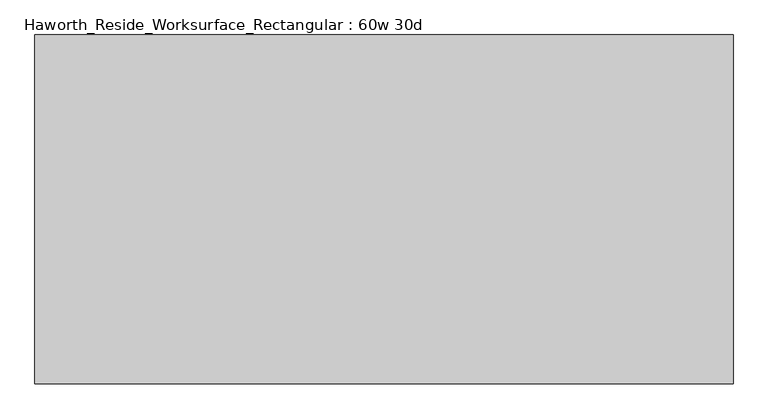
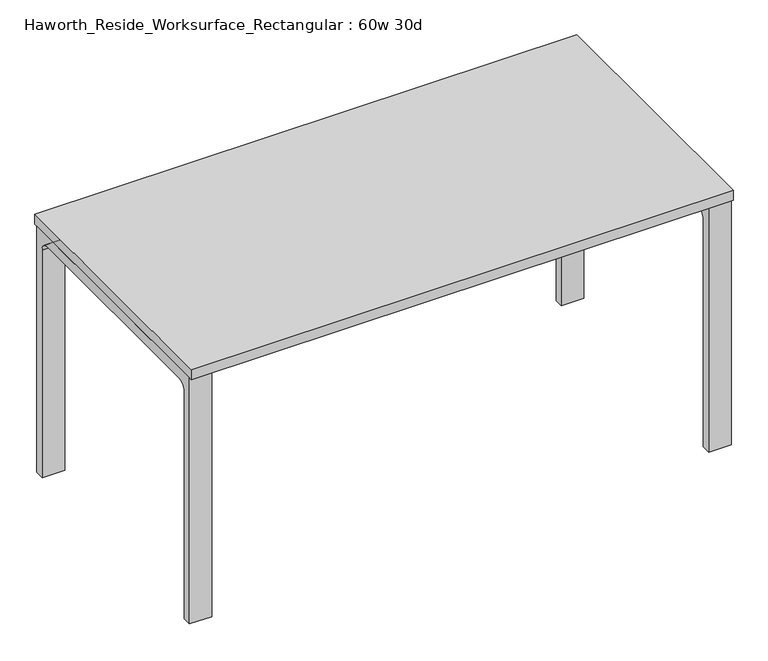
"""IFC4 building model written with IfcOpenShell, lengths in millimetres: furniture geometry, Haworth_Reside_Worksurface_Rectangular : 60w 30d."""

from ifc_helpers import new_model, si_unit, point, frame, frame_2d, origin, place, context, project, spatial, polyline, circle_curve, trimmed, segment, composite_curve, outline, extrude, source, transform, mapped, element, save


def haworth_reside_worksurface_rectangular_60w_30d_579a5c0c(model_context):
    return source(origin(), model_context, "Body", "SweptSolid", [
        extrude(outline(composite_curve([segment(trimmed(circle_curve(frame_2d((320.675, 676.275)), 25.4), [point((346.075, 676.275))], [point((320.675, 701.675))], True, "CARTESIAN"), True, "CONTINUOUS"), segment(polyline([(320.675, 701.675), (-320.675, 701.675)]), True, "CONTINUOUS"), segment(trimmed(circle_curve(frame_2d((-320.675, 676.275)), 25.4), [point((-320.675, 701.675))], [point((-346.075, 676.275))], True, "CARTESIAN"), True, "CONTINUOUS"), segment(polyline([(-346.075, 676.275), (-346.075, 0.0), (-371.475, 0.0), (-371.475, 731.8375), (371.475, 731.8375), (371.475, 0.0), (346.075, 0.0), (346.075, 676.275)]), True, "CONTINUOUS")], self_intersect=False)), frame((698.5, 0.0, 0.0), z_axis=(1.0, 0.0, 0.0), x_axis=(0.0, 1.0, 0.0)), (0.0, 0.0, 1.0), 63.5),
        extrude(outline(composite_curve([segment(trimmed(circle_curve(frame_2d((320.675, 676.275)), 25.4), [point((346.075, 676.275))], [point((320.675, 701.675))], True, "CARTESIAN"), True, "CONTINUOUS"), segment(polyline([(320.675, 701.675), (-320.675, 701.675)]), True, "CONTINUOUS"), segment(trimmed(circle_curve(frame_2d((-320.675, 676.275)), 25.4), [point((-320.675, 701.675))], [point((-346.075, 676.275))], True, "CARTESIAN"), True, "CONTINUOUS"), segment(polyline([(-346.075, 676.275), (-346.075, 0.0), (-371.475, 0.0), (-371.475, 731.8375), (371.475, 731.8375), (371.475, 0.0), (346.075, 0.0), (346.075, 676.275)]), True, "CONTINUOUS")], self_intersect=False)), frame((-762.0, 0.0, 0.0), z_axis=(1.0, 0.0, 0.0), x_axis=(0.0, 1.0, 0.0)), (0.0, 0.0, 1.0), 63.5),
        extrude(outline(polyline([(762.0, 381.0), (762.0, -381.0), (-762.0, -381.0), (-762.0, 381.0), (762.0, 381.0)])), frame((0.0, 0.0, 731.8375), z_axis=(0.0, 0.0, 1.0), x_axis=(1.0, 0.0, 0.0)), (0.0, 0.0, 1.0), 30.1625),
    ])


if __name__ == "__main__":
    model = new_model("IFC4")
    model_context = context("Model", 3, world=origin())
    ifc_project = project(units=[si_unit("LENGTHUNIT", "METRE", prefix="MILLI")], contexts=[model_context])
    site = spatial("IfcSite", under=ifc_project)
    building = spatial("IfcBuilding", under=site)
    placement = place(None, origin())
    haworth_reside_worksurface_rectangular_60w_30d_shape = haworth_reside_worksurface_rectangular_60w_30d_579a5c0c(model_context)
    element("IfcFurniture", 1, ObjectType="Haworth_Reside_Worksurface_Rectangular : 60w 30d", at=placement, inside=building, context=model_context, shape_type="MappedRepresentation", body=[
        mapped(haworth_reside_worksurface_rectangular_60w_30d_shape, transform((0.0, 0.0, 0.0), x_axis=(1.0, 0.0, 0.0), y_axis=(0.0, 1.0, 0.0), z_axis=(0.0, 0.0, 1.0))),
    ])
    save(model, "model.ifc")
